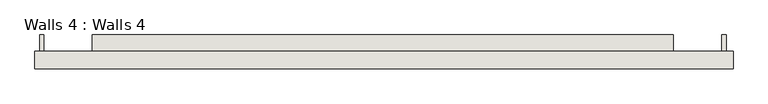
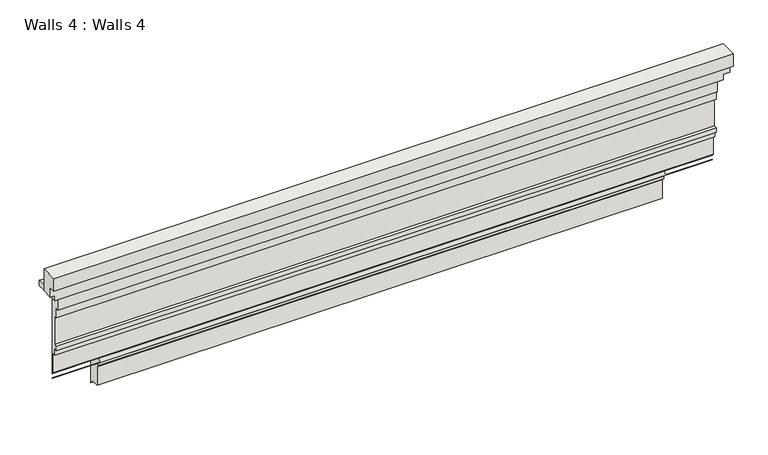
"""IFC4 building model written with IfcOpenShell, lengths in millimetres: wall geometry, Walls 4 : Walls 4."""

from ifc_helpers import new_model, si_unit, origin, place, context, project, spatial, faceted_brep, source, transform, mapped, element, save


def walls_4_walls_4_df55e9b8(model_context):
    return source(origin(), model_context, "Body", "Brep", [
        faceted_brep([(-4945.233125, -9490.545669, -1565.910519), (-4945.233125, -9681.7480227, -1565.910519), (-4945.233125, -9681.7480227, -1718.310519), (-4945.233125, -9615.0730227, -1718.310519), (-4945.233125, -9615.0730227, -1828.8), (-4945.233125, -9490.545669, -1828.8), (-12602.1969605, -9490.545669, -1565.910519), (-12602.1969605, -9490.545669, -1828.8), (-12602.1969605, -9615.0730227, -1828.8), (-12602.1969605, -9615.0730227, -1718.310519), (-12602.1969605, -9681.7480227, -1718.310519), (-12602.1969605, -9681.7480227, -1565.910519), (-12551.3969605, -9615.0730227, -1828.8), (-12551.3969605, -9615.0730227, -1889.760519), (-5017.8457962, -9615.0730227, -1889.760519), (-5017.8457962, -9615.0730227, -1828.8), (-12551.3969605, -9389.0811541, -1889.760519), (-12551.3969605, -9312.5557753, -1889.760519), (-12506.9469605, -9312.5557753, -1889.760519), (-12506.9469605, -9389.0811541, -1889.760519), (-12506.9469605, -9490.6811541, -1889.760519), (-12506.9469605, -9589.6730227, -1889.760519), (-5068.6457962, -9589.6730227, -1889.760519), (-5068.6457962, -9490.6811541, -1889.760519), (-5068.6457962, -9312.5557753, -1889.760519), (-5017.8457962, -9312.5557753, -1889.760519), (-12506.9469605, -9589.6730227, -2029.460519), (-5068.6457962, -9589.6730227, -2029.460519), (-12506.9469605, -9564.2730227, -2029.460519), (-5068.6457962, -9564.2730227, -2029.460519), (-12506.9469605, -9564.2730227, -2137.410519), (-5068.6457962, -9564.2730227, -2137.410519), (-12506.9469605, -9532.5230227, -2137.410519), (-5068.6457962, -9532.5230227, -2137.410519), (-12506.9469605, -9532.5230227, -2473.960519), (-5068.6457962, -9532.5230227, -2473.960519), (-12506.9469605, -9564.2730227, -2473.960519), (-5068.6457962, -9564.2730227, -2473.960519), (-12506.9469605, -9564.2730227, -2531.110519), (-5068.6457962, -9564.2730227, -2531.110519), (-12506.9469605, -9535.6980227, -2531.110519), (-5068.6457962, -9535.6980227, -2531.110519), (-12506.9469605, -9535.6980227, -2600.960519), (-5068.6457962, -9535.6980227, -2600.960519), (-12506.9469605, -9507.1230227, -2600.960519), (-5068.6457962, -9507.1230227, -2600.960519), (-12506.9469605, -9507.1230227, -2829.560519), (-5068.6457962, -9507.1230227, -2829.560519), (-12506.9469605, -9490.6811541, -2846.0023876), (-11973.5469605, -9490.6811541, -2846.0023876), (-11973.5469605, -9480.1822543, -2856.5012874), (-5602.0457962, -9480.1822543, -2856.5012874), (-5602.0457962, -9490.6811541, -2846.0023876), (-5068.6457962, -9490.6811541, -2846.0023876), (-12506.9469605, -9491.6867609, -2899.4366903), (-5068.6457962, -9491.6867609, -2899.4366903), (-5068.6457962, -9490.6811541, -2895.6837148), (-5602.0457962, -9490.6811541, -2895.6837148), (-11973.5469605, -9490.6811541, -2895.6837148), (-12506.9469605, -9490.6811541, -2895.6837148), (-12506.9469605, -9490.6811541, -2900.4422971), (-11973.5469605, -9490.6811541, -2900.4422971), (-11973.5469605, -9464.7459925, -2926.3774587), (-5602.0457962, -9464.7459925, -2926.3774587), (-5602.0457962, -9490.6811541, -2900.4422971), (-5068.6457962, -9490.6811541, -2900.4422971), (-5602.0457962, -9464.7459925, -2958.1274587), (-11973.5469605, -9464.7459925, -2958.1274587), (-5602.0457962, -9437.1402141, -2985.7332371), (-11973.5469605, -9437.1402141, -2985.7332371), (-5602.0457962, -9437.1402141, -3205.4583551), (-11973.5469605, -9437.1402141, -3205.4583551), (-5602.0457962, -9357.1150961, -3205.4583551), (-11973.5469605, -9357.1150961, -3205.4583551), (-5602.0457962, -9312.5557753, -3251.2), (-11973.5469605, -9312.5557753, -3251.2), (-5068.6457962, -9312.5557753, -1828.8), (-5017.8457962, -9312.5557753, -1828.8), (-5017.8457962, -9490.545669, -1828.8), (-5068.6457962, -9490.545669, -1828.8), (-5602.0457962, -9490.545669, -1828.8), (-11973.5469605, -9490.545669, -1828.8), (-12506.9469605, -9490.545669, -1828.8), (-12551.3969605, -9490.545669, -1828.8), (-12551.3969605, -9389.0811541, -1828.8), (-12551.3969605, -9312.5557753, -1828.8), (-5602.0457962, -9312.5557753, -1828.8), (-11973.5469605, -9312.5557753, -1828.8), (-12506.9469605, -9312.5557753, -1828.8), (-12506.9469605, -9389.0811541, -1828.8)], [[[0, 1, 2, 3, 4, 5]], [[6, 7, 8, 9, 10, 11]], [[1, 0, 6, 11]], [[2, 1, 11, 10]], [[3, 2, 10, 9]], [[3, 9, 8, 12, 13, 14, 15, 4]], [[14, 13, 16, 17, 18, 19, 20, 21, 22, 23, 24, 25]], [[22, 21, 26, 27]], [[27, 26, 28, 29]], [[29, 28, 30, 31]], [[31, 30, 32, 33]], [[33, 32, 34, 35]], [[35, 34, 36, 37]], [[37, 36, 38, 39]], [[39, 38, 40, 41]], [[41, 40, 42, 43]], [[43, 42, 44, 45]], [[45, 44, 46, 47]], [[47, 46, 48, 49, 50, 51, 52, 53]], [[54, 55, 56, 57, 51, 50, 58, 59]], [[55, 54, 60, 61, 62, 63, 64, 65]], [[66, 63, 62, 67]], [[68, 66, 67, 69]], [[70, 68, 69, 71]], [[72, 70, 71, 73]], [[74, 72, 73, 75]], [[25, 24, 76, 77]], [[78, 77, 76, 79]], [[0, 5, 78, 79, 23, 53, 52, 80, 81, 49, 48, 20, 82, 83, 7, 6]], [[15, 14, 25, 77, 78]], [[5, 4, 15, 78]], [[56, 55, 65]], [[13, 12, 83, 84, 85, 17, 16]], [[54, 59, 60]], [[8, 7, 83, 12]], [[23, 79, 76, 24]], [[80, 52, 51, 57, 64, 63, 66, 68, 70, 72, 74, 86]], [[86, 74, 75, 87]], [[80, 86, 87, 81]], [[64, 57, 56, 65]], [[22, 27, 29, 31, 33, 35, 37, 39, 41, 43, 45, 47, 53, 23]], [[49, 81, 87, 75, 73, 71, 69, 67, 62, 61, 58, 50]], [[82, 20, 19, 18, 88, 89]], [[58, 61, 60, 59]], [[26, 21, 20, 48, 46, 44, 42, 40, 38, 36, 34, 32, 30, 28]], [[18, 17, 85, 88]], [[85, 84, 83, 82, 89, 88]]]),
    ])


if __name__ == "__main__":
    model = new_model("IFC4")
    model_context = context("Model", 3, world=origin())
    ifc_project = project(units=[si_unit("LENGTHUNIT", "METRE", prefix="MILLI")], contexts=[model_context])
    site = spatial("IfcSite", under=ifc_project)
    building = spatial("IfcBuilding", under=site)
    placement = place(None, origin())
    walls_4_walls_4_shape = walls_4_walls_4_df55e9b8(model_context)
    element("IfcWall", 1, ObjectType="Walls 4 : Walls 4", at=placement, inside=building, context=model_context, shape_type="MappedRepresentation", body=[
        mapped(walls_4_walls_4_shape, transform((0.0, 0.0, 0.0), x_axis=(1.0, 0.0, 0.0), y_axis=(0.0, 1.0, 0.0), z_axis=(0.0, 0.0, 1.0))),
    ])
    save(model, "model.ifc")
